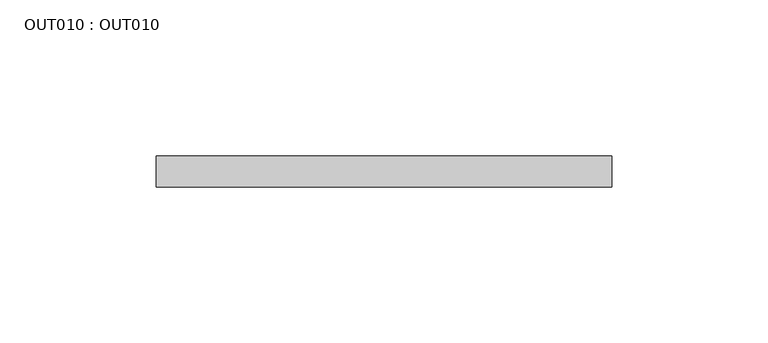
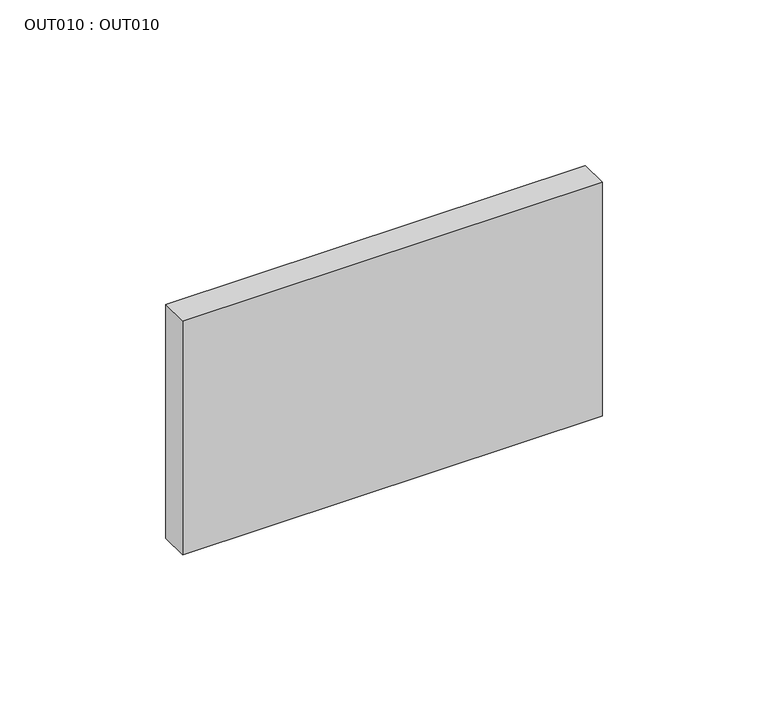
"""IFC4 building model written with IfcOpenShell, lengths in millimetres: proxy geometry, OUT010 : OUT010."""

from ifc_helpers import new_model, si_unit, frame, origin, place, context, project, spatial, polyline, outline, extrude, source, transform, mapped, element, save


def out010_out010_39116a92(model_context):
    return source(origin(), model_context, "Body", "SweptSolid", [
        extrude(outline(polyline([(73.0, 0.0), (73.0, -10.0000005), (-73.0, -10.0000005), (-73.0, 0.0), (73.0, 0.0)])), frame((0.0, 0.0, -43.0000007), z_axis=(0.0, 0.0, 1.0), x_axis=(1.0, 0.0, 0.0)), (0.0, 0.0, 1.0), 86.0000014),
    ])


if __name__ == "__main__":
    model = new_model("IFC4")
    model_context = context("Model", 3, world=origin())
    ifc_project = project(units=[si_unit("LENGTHUNIT", "METRE", prefix="MILLI")], contexts=[model_context])
    site = spatial("IfcSite", under=ifc_project)
    building = spatial("IfcBuilding", under=site)
    placement = place(None, origin())
    out010_out010_shape = out010_out010_39116a92(model_context)
    element("IfcBuildingElementProxy", 1, Name="OUT010 : OUT010", ObjectType="OUT010 : OUT010", at=placement, inside=building, context=model_context, shape_type="MappedRepresentation", body=[
        mapped(out010_out010_shape, transform((0.0, 0.0, 0.0), x_axis=(1.0, 0.0, 0.0), y_axis=(0.0, 1.0, 0.0), z_axis=(0.0, 0.0, 1.0))),
    ])
    save(model, "model.ifc")
